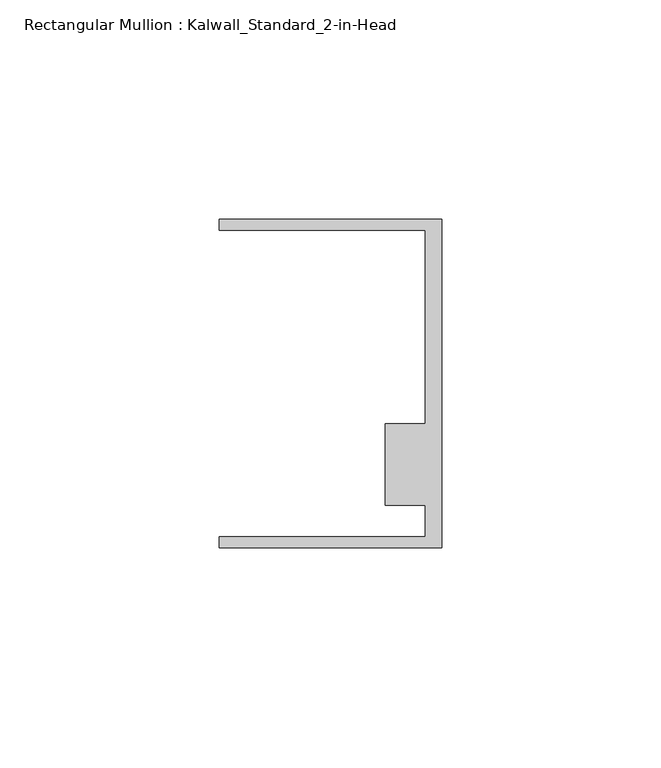
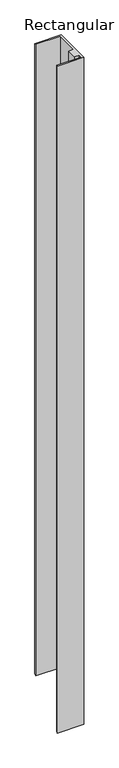
"""IFC4 building model written with IfcOpenShell, lengths in millimetres: member geometry, Rectangular Mullion : Kalwall_Standard_2-in-Head."""

from ifc_helpers import new_model, si_unit, origin, place, context, project, spatial, faceted_brep, source, transform, mapped, element, save


def rectangular_mullion_kalwall_standard_2_in_head_9338b5b4(model_context):
    return source(origin(), model_context, "Body", "Brep", [
        faceted_brep([(0.0, -37.5776386, 0.0), (0.0, 37.5023614, 0.0), (-50.8, 37.5023614, 0.0), (-50.8, 34.9623614, 0.0), (-3.7084, 34.9623614, 0.0), (-3.7084, -9.1879886, 0.0), (-12.8272539, -9.1879886, 0.0), (-12.8272539, -27.8888568, 0.0), (-3.7084, -27.8888568, 0.0), (-3.7084, -35.0376386, 0.0), (-50.8, -35.0376386, 0.0), (-50.8, -37.5776386, 0.0), (0.0, -37.5776386, -1353.8344389), (0.0, 37.5023614, -1278.7544389), (-50.8, 37.5023614, -1278.7544389), (-50.8, 34.9623614, -1281.2944389), (-3.7084, 34.9623614, -1281.2944389), (-3.7084, -9.1879886, -1325.4447889), (-12.8272539, -9.1879886, -1325.4447889), (-12.8272539, -27.8888568, -1344.1456571), (-3.7084, -27.8888568, -1344.1456571), (-3.7084, -35.0376386, -1351.2944389), (-50.8, -35.0376386, -1351.2944389), (-50.8, -37.5776386, -1353.8344389)], [[[0, 1, 2, 3, 4, 5, 6, 7, 8, 9, 10, 11]], [[1, 0, 12, 13]], [[2, 1, 13, 14]], [[3, 2, 14, 15]], [[4, 3, 15, 16]], [[5, 4, 16, 17]], [[6, 5, 17, 18]], [[7, 6, 18, 19]], [[8, 7, 19, 20]], [[9, 8, 20, 21]], [[10, 9, 21, 22]], [[11, 10, 22, 23]], [[0, 11, 23, 12]], [[12, 23, 22, 21, 20, 19, 18, 17, 16, 15, 14, 13]]]),
    ])


if __name__ == "__main__":
    model = new_model("IFC4")
    model_context = context("Model", 3, world=origin())
    ifc_project = project(units=[si_unit("LENGTHUNIT", "METRE", prefix="MILLI")], contexts=[model_context])
    site = spatial("IfcSite", under=ifc_project)
    building = spatial("IfcBuilding", under=site)
    placement = place(None, origin())
    rectangular_mullion_kalwall_standard_2_in_head_shape = rectangular_mullion_kalwall_standard_2_in_head_9338b5b4(model_context)
    element("IfcMember", 1, ObjectType="Rectangular Mullion : Kalwall_Standard_2-in-Head", at=placement, inside=building, context=model_context, shape_type="MappedRepresentation", body=[
        mapped(rectangular_mullion_kalwall_standard_2_in_head_shape, transform((0.0, 0.0, 0.0), x_axis=(1.0, 0.0, 0.0), y_axis=(0.0, 1.0, 0.0), z_axis=(0.0, 0.0, 1.0))),
    ])
    save(model, "model.ifc")
